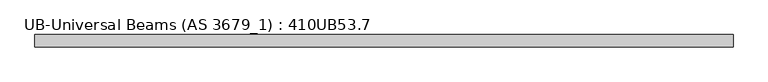
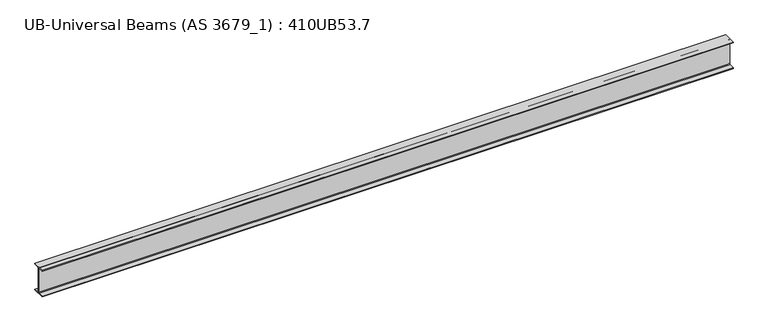
"""IFC4 building model written with IfcOpenShell, lengths in millimetres: beam geometry, UB-Universal Beams (AS 3679_1) : 410UB53.7."""

from ifc_helpers import new_model, si_unit, point, frame, frame_2d, origin, place, context, project, spatial, polyline, circle_curve, trimmed, segment, composite_curve, outline, extrude, source, transform, mapped, element, save


def ub_universal_beams_as_3679_1_410ub53_7_59bf2f0c(model_context):
    return source(origin(), model_context, "Body", "SweptSolid", [
        extrude(outline(composite_curve([segment(polyline([(-89.0, -190.4), (-15.2, -190.4)]), True, "CONTINUOUS"), segment(trimmed(circle_curve(frame_2d((-15.2, -179.0)), 11.4), [point((-15.2, -190.4))], [point((-3.8, -179.0))], True, "CARTESIAN"), True, "CONTINUOUS"), segment(polyline([(-3.8, -179.0), (-3.8, 179.0)]), True, "CONTINUOUS"), segment(trimmed(circle_curve(frame_2d((-15.2, 179.0)), 11.4), [point((-3.8, 179.0))], [point((-15.2, 190.4))], True, "CARTESIAN"), True, "CONTINUOUS"), segment(polyline([(-15.2, 190.4), (-89.0, 190.4), (-89.0, 201.3), (89.0, 201.3), (89.0, 190.4), (15.2, 190.4)]), True, "CONTINUOUS"), segment(trimmed(circle_curve(frame_2d((15.2, 179.0)), 11.4), [point((15.2, 190.4))], [point((3.8, 179.0))], True, "CARTESIAN"), True, "CONTINUOUS"), segment(polyline([(3.8, 179.0), (3.8, -179.0)]), True, "CONTINUOUS"), segment(trimmed(circle_curve(frame_2d((15.2, -179.0)), 11.4), [point((3.8, -179.0))], [point((15.2, -190.4))], True, "CARTESIAN"), True, "CONTINUOUS"), segment(polyline([(15.2, -190.4), (89.0, -190.4), (89.0, -201.3), (-89.0, -201.3), (-89.0, -190.4)]), True, "CONTINUOUS")], self_intersect=False)), frame((-4960.8, 0.0, 0.0), z_axis=(1.0, 0.0, 0.0), x_axis=(0.0, 1.0, 0.0)), (0.0, 0.0, 1.0), 9921.6),
    ])


if __name__ == "__main__":
    model = new_model("IFC4")
    model_context = context("Model", 3, world=origin())
    ifc_project = project(units=[si_unit("LENGTHUNIT", "METRE", prefix="MILLI")], contexts=[model_context])
    site = spatial("IfcSite", under=ifc_project)
    building = spatial("IfcBuilding", under=site)
    placement = place(None, origin())
    ub_universal_beams_as_3679_1_410ub53_7_shape = ub_universal_beams_as_3679_1_410ub53_7_59bf2f0c(model_context)
    element("IfcBeam", 1, ObjectType="UB-Universal Beams (AS 3679_1) : 410UB53.7", at=placement, inside=building, context=model_context, shape_type="MappedRepresentation", body=[
        mapped(ub_universal_beams_as_3679_1_410ub53_7_shape, transform((0.0, 0.0, 0.0), x_axis=(1.0, 0.0, 0.0), y_axis=(0.0, 1.0, 0.0), z_axis=(0.0, 0.0, 1.0))),
    ])
    save(model, "model.ifc")
